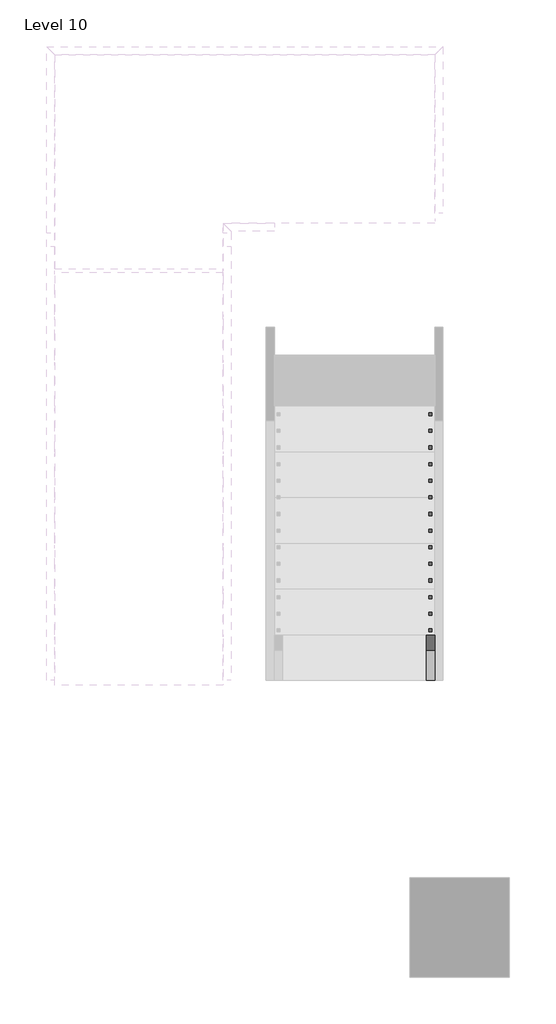
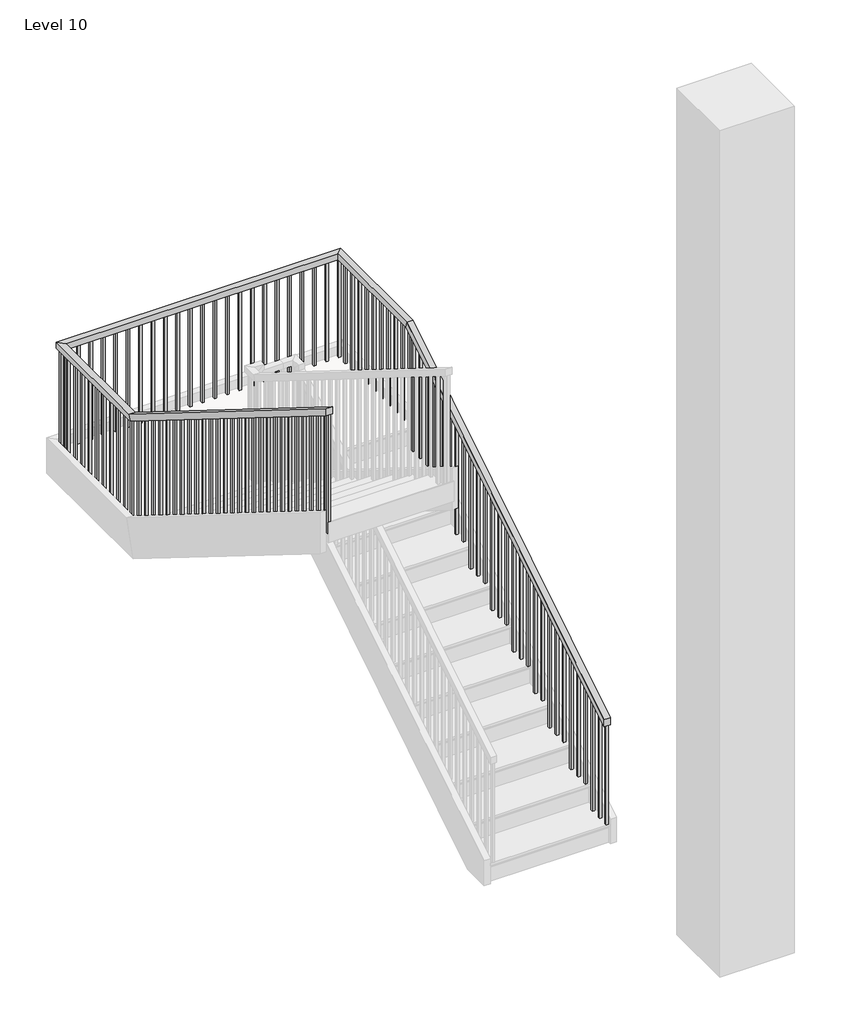
# One storey, part 13 of 16: 1 railing.
"""IFC4 building model written with IfcOpenShell, lengths in millimetres."""

from ifc_helpers import new_model, si_unit, frame, origin, place, context, project, spatial, polyline, outline, extrude, faceted_brep, element, save

model = new_model("IFC4")

# Units and contexts
model_context = context("Model", 3, world=origin())
ifc_project = project(units=[si_unit("LENGTHUNIT", "METRE", prefix="MILLI")], contexts=[model_context])

# Site, building, storey
site = spatial("IfcSite", under=ifc_project)
building = spatial("IfcBuilding", under=site)
storey = spatial("IfcBuildingStorey", under=building, Name="Level 10", Elevation=36118.8)

# Railing
placement = place(None, origin())
element("IfcRailing", 1, ObjectType="Handrail - Rectangular", at=placement, inside=storey, context=model_context, shape_type="SolidModel", body=[
    faceted_brep([(-18176.8930445, 2625.4460566, 37207.3714286), (-18176.8930445, 2625.4460566, 37147.5093152), (-18126.0930445, 2625.4460566, 37147.5093152), (-18126.0930445, 2625.4460566, 37207.3714286), (-18176.8930445, 5419.4460566, 38949.0857143), (-18176.8930445, 5433.9831967, 38898.2857143), (-18126.0930445, 5433.9831967, 38898.2857143), (-18126.0930445, 5419.4460566, 38949.0857143), (-18176.8930445, 6396.9720312, 38949.0857143), (-18176.8930445, 6396.9720312, 38898.2857143), (-18126.0930445, 6447.7720312, 38898.2857143), (-18126.0930445, 6447.7720312, 38949.0857143), (-20399.3930445, 6396.9720312, 38949.0857143), (-20399.3930445, 6396.9720312, 38898.2857143), (-20450.1930445, 6447.7720312, 38898.2857143), (-20450.1930445, 6447.7720312, 38949.0857143), (-20399.3930445, 5419.4460566, 38949.0857143), (-20399.3930445, 5404.9089165, 38898.2857143), (-20450.1930445, 5404.9089165, 38898.2857143), (-20450.1930445, 5419.4460566, 38949.0857143), (-20399.3930445, 2625.4460566, 40690.8), (-20450.1930445, 2625.4460566, 40690.8), (-20450.1930445, 2625.4460566, 40630.9378867), (-20399.3930445, 2625.4460566, 40630.9378867)], [[[0, 1, 2, 3]], [[1, 0, 4, 5]], [[2, 1, 5, 6]], [[3, 2, 6, 7]], [[0, 3, 7, 4]], [[5, 4, 8, 9]], [[6, 5, 9, 10]], [[7, 6, 10, 11]], [[4, 7, 11, 8]], [[9, 8, 12, 13]], [[10, 9, 13, 14]], [[11, 10, 14, 15]], [[8, 11, 15, 12]], [[13, 12, 16, 17]], [[14, 13, 17, 18]], [[15, 14, 18, 19]], [[12, 15, 19, 16]], [[20, 21, 22, 23]], [[17, 16, 20, 23]], [[18, 17, 23, 22]], [[19, 18, 22, 21]], [[16, 19, 21, 20]]]),
    extrude(outline(polyline([(2666.7210566, 40605.2080165), (2685.7710566, 40593.3326919), (2685.7710566, 39602.2285714), (2666.7210566, 39602.2285714), (2666.7210566, 40605.2080165)])), frame((-20434.3180445, 0.0, 0.0), z_axis=(1.0, 0.0, 0.0), x_axis=(0.0, 1.0, 0.0)), (0.0, 0.0, 1.0), 19.05),
    extrude(outline(polyline([(2768.3210566, 40541.8729516), (2787.3710566, 40529.9976269), (2787.3710566, 39602.2285714), (2768.3210566, 39602.2285714), (2768.3210566, 40541.8729516)])), frame((-20434.3180445, 0.0, 0.0), z_axis=(1.0, 0.0, 0.0), x_axis=(0.0, 1.0, 0.0)), (0.0, 0.0, 1.0), 19.05),
    extrude(outline(polyline([(2869.9210566, 40478.5378867), (2888.9710566, 40466.662562), (2888.9710566, 39602.2285714), (2869.9210566, 39602.2285714), (2869.9210566, 40478.5378867)])), frame((-20434.3180445, 0.0, 0.0), z_axis=(1.0, 0.0, 0.0), x_axis=(0.0, 1.0, 0.0)), (0.0, 0.0, 1.0), 19.05),
    extrude(outline(polyline([(2971.5210566, 40415.2028217), (2990.5710566, 40403.3274971), (2990.5710566, 39428.0571429), (2971.5210566, 39428.0571429), (2971.5210566, 40415.2028217)])), frame((-20434.3180445, 0.0, 0.0), z_axis=(1.0, 0.0, 0.0), x_axis=(0.0, 1.0, 0.0)), (0.0, 0.0, 1.0), 19.05),
    extrude(outline(polyline([(3073.1210566, 40351.8677568), (3092.1710566, 40339.9924321), (3092.1710566, 39428.0571429), (3073.1210566, 39428.0571429), (3073.1210566, 40351.8677568)])), frame((-20434.3180445, 0.0, 0.0), z_axis=(1.0, 0.0, 0.0), x_axis=(0.0, 1.0, 0.0)), (0.0, 0.0, 1.0), 19.05),
    extrude(outline(polyline([(3174.7210566, 40288.5326919), (3193.7710566, 40276.6573672), (3193.7710566, 39428.0571429), (3174.7210566, 39428.0571429), (3174.7210566, 40288.5326919)])), frame((-20434.3180445, 0.0, 0.0), z_axis=(1.0, 0.0, 0.0), x_axis=(0.0, 1.0, 0.0)), (0.0, 0.0, 1.0), 19.05),
    extrude(outline(polyline([(3276.3210566, 40225.1976269), (3295.3710566, 40213.3223023), (3295.3710566, 39253.8857143), (3276.3210566, 39253.8857143), (3276.3210566, 40225.1976269)])), frame((-20434.3180445, 0.0, 0.0), z_axis=(1.0, 0.0, 0.0), x_axis=(0.0, 1.0, 0.0)), (0.0, 0.0, 1.0), 19.05),
    extrude(outline(polyline([(3377.9210566, 40161.862562), (3396.9710566, 40149.9872373), (3396.9710566, 39253.8857143), (3377.9210566, 39253.8857143), (3377.9210566, 40161.862562)])), frame((-20434.3180445, 0.0, 0.0), z_axis=(1.0, 0.0, 0.0), x_axis=(0.0, 1.0, 0.0)), (0.0, 0.0, 1.0), 19.05),
    extrude(outline(polyline([(3479.5210566, 40098.5274971), (3498.5710566, 40086.6521724), (3498.5710566, 39079.7142857), (3479.5210566, 39079.7142857), (3479.5210566, 40098.5274971)])), frame((-20434.3180445, 0.0, 0.0), z_axis=(1.0, 0.0, 0.0), x_axis=(0.0, 1.0, 0.0)), (0.0, 0.0, 1.0), 19.05),
    extrude(outline(polyline([(3581.1210566, 40035.1924321), (3600.1710566, 40023.3171074), (3600.1710566, 39079.7142857), (3581.1210566, 39079.7142857), (3581.1210566, 40035.1924321)])), frame((-20434.3180445, 0.0, 0.0), z_axis=(1.0, 0.0, 0.0), x_axis=(0.0, 1.0, 0.0)), (0.0, 0.0, 1.0), 19.05),
    extrude(outline(polyline([(3682.7210566, 39971.8573672), (3701.7710566, 39959.9820425), (3701.7710566, 39079.7142857), (3682.7210566, 39079.7142857), (3682.7210566, 39971.8573672)])), frame((-20434.3180445, 0.0, 0.0), z_axis=(1.0, 0.0, 0.0), x_axis=(0.0, 1.0, 0.0)), (0.0, 0.0, 1.0), 19.05),
    extrude(outline(polyline([(3784.3210566, 39908.5223023), (3803.3710566, 39896.6469776), (3803.3710566, 38905.5428571), (3784.3210566, 38905.5428571), (3784.3210566, 39908.5223023)])), frame((-20434.3180445, 0.0, 0.0), z_axis=(1.0, 0.0, 0.0), x_axis=(0.0, 1.0, 0.0)), (0.0, 0.0, 1.0), 19.05),
    extrude(outline(polyline([(3885.9210566, 39845.1872373), (3904.9710566, 39833.3119126), (3904.9710566, 38905.5428571), (3885.9210566, 38905.5428571), (3885.9210566, 39845.1872373)])), frame((-20434.3180445, 0.0, 0.0), z_axis=(1.0, 0.0, 0.0), x_axis=(0.0, 1.0, 0.0)), (0.0, 0.0, 1.0), 19.05),
    extrude(outline(polyline([(3987.5210566, 39781.8521724), (4006.5710566, 39769.9768477), (4006.5710566, 38905.5428571), (3987.5210566, 38905.5428571), (3987.5210566, 39781.8521724)])), frame((-20434.3180445, 0.0, 0.0), z_axis=(1.0, 0.0, 0.0), x_axis=(0.0, 1.0, 0.0)), (0.0, 0.0, 1.0), 19.05),
    extrude(outline(polyline([(4089.1210566, 39718.5171074), (4108.1710566, 39706.6417828), (4108.1710566, 38731.3714286), (4089.1210566, 38731.3714286), (4089.1210566, 39718.5171074)])), frame((-20434.3180445, 0.0, 0.0), z_axis=(1.0, 0.0, 0.0), x_axis=(0.0, 1.0, 0.0)), (0.0, 0.0, 1.0), 19.05),
    extrude(outline(polyline([(4190.7210566, 39655.1820425), (4209.7710566, 39643.3067178), (4209.7710566, 38731.3714286), (4190.7210566, 38731.3714286), (4190.7210566, 39655.1820425)])), frame((-20434.3180445, 0.0, 0.0), z_axis=(1.0, 0.0, 0.0), x_axis=(0.0, 1.0, 0.0)), (0.0, 0.0, 1.0), 19.05),
    extrude(outline(polyline([(4292.3210566, 39591.8469776), (4311.3710566, 39579.9716529), (4311.3710566, 38731.3714286), (4292.3210566, 38731.3714286), (4292.3210566, 39591.8469776)])), frame((-20434.3180445, 0.0, 0.0), z_axis=(1.0, 0.0, 0.0), x_axis=(0.0, 1.0, 0.0)), (0.0, 0.0, 1.0), 19.05),
    extrude(outline(polyline([(4393.9210566, 39528.5119126), (4412.9710566, 39516.636588), (4412.9710566, 38557.2), (4393.9210566, 38557.2), (4393.9210566, 39528.5119126)])), frame((-20434.3180445, 0.0, 0.0), z_axis=(1.0, 0.0, 0.0), x_axis=(0.0, 1.0, 0.0)), (0.0, 0.0, 1.0), 19.05),
    extrude(outline(polyline([(4495.5210566, 39465.1768477), (4514.5710566, 39453.301523), (4514.5710566, 38557.2), (4495.5210566, 38557.2), (4495.5210566, 39465.1768477)])), frame((-20434.3180445, 0.0, 0.0), z_axis=(1.0, 0.0, 0.0), x_axis=(0.0, 1.0, 0.0)), (0.0, 0.0, 1.0), 19.05),
    extrude(outline(polyline([(4597.1210566, 39401.8417828), (4616.1710566, 39389.9664581), (4616.1710566, 38383.0285714), (4597.1210566, 38383.0285714), (4597.1210566, 39401.8417828)])), frame((-20434.3180445, 0.0, 0.0), z_axis=(1.0, 0.0, 0.0), x_axis=(0.0, 1.0, 0.0)), (0.0, 0.0, 1.0), 19.05),
    extrude(outline(polyline([(4698.7210566, 39338.5067178), (4717.7710566, 39326.6313932), (4717.7710566, 38383.0285714), (4698.7210566, 38383.0285714), (4698.7210566, 39338.5067178)])), frame((-20434.3180445, 0.0, 0.0), z_axis=(1.0, 0.0, 0.0), x_axis=(0.0, 1.0, 0.0)), (0.0, 0.0, 1.0), 19.05),
    extrude(outline(polyline([(4800.3210566, 39275.1716529), (4819.3710566, 39263.2963282), (4819.3710566, 38383.0285714), (4800.3210566, 38383.0285714), (4800.3210566, 39275.1716529)])), frame((-20434.3180445, 0.0, 0.0), z_axis=(1.0, 0.0, 0.0), x_axis=(0.0, 1.0, 0.0)), (0.0, 0.0, 1.0), 19.05),
    extrude(outline(polyline([(4901.9210566, 39211.836588), (4920.9710566, 39199.9612633), (4920.9710566, 38208.8571429), (4901.9210566, 38208.8571429), (4901.9210566, 39211.836588)])), frame((-20434.3180445, 0.0, 0.0), z_axis=(1.0, 0.0, 0.0), x_axis=(0.0, 1.0, 0.0)), (0.0, 0.0, 1.0), 19.05),
    extrude(outline(polyline([(5003.5210566, 39148.501523), (5022.5710566, 39136.6261984), (5022.5710566, 38208.8571429), (5003.5210566, 38208.8571429), (5003.5210566, 39148.501523)])), frame((-20434.3180445, 0.0, 0.0), z_axis=(1.0, 0.0, 0.0), x_axis=(0.0, 1.0, 0.0)), (0.0, 0.0, 1.0), 19.05),
    extrude(outline(polyline([(5105.1210566, 39085.1664581), (5124.1710566, 39073.2911334), (5124.1710566, 38208.8571429), (5105.1210566, 38208.8571429), (5105.1210566, 39085.1664581)])), frame((-20434.3180445, 0.0, 0.0), z_axis=(1.0, 0.0, 0.0), x_axis=(0.0, 1.0, 0.0)), (0.0, 0.0, 1.0), 19.05),
    extrude(outline(polyline([(5206.7210566, 39021.8313932), (5225.7710566, 39009.9560685), (5225.7710566, 38034.6857143), (5206.7210566, 38034.6857143), (5206.7210566, 39021.8313932)])), frame((-20434.3180445, 0.0, 0.0), z_axis=(1.0, 0.0, 0.0), x_axis=(0.0, 1.0, 0.0)), (0.0, 0.0, 1.0), 19.05),
    extrude(outline(polyline([(5308.3210566, 38958.4963282), (5327.3710566, 38946.6210036), (5327.3710566, 38034.6857143), (5308.3210566, 38034.6857143), (5308.3210566, 38958.4963282)])), frame((-20434.3180445, 0.0, 0.0), z_axis=(1.0, 0.0, 0.0), x_axis=(0.0, 1.0, 0.0)), (0.0, 0.0, 1.0), 19.05),
    extrude(outline(polyline([(-20434.3180445, 5517.4970312), (-20415.2680445, 5517.4970312), (-20415.2680445, 5498.4470312), (-20434.3180445, 5498.4470312), (-20434.3180445, 5517.4970312)])), frame((0.0, 0.0, 38034.6857143), z_axis=(0.0, 0.0, 1.0), x_axis=(1.0, 0.0, 0.0)), (0.0, 0.0, 1.0), 863.6),
    extrude(outline(polyline([(-20434.3180445, 5619.0970312), (-20415.2680445, 5619.0970312), (-20415.2680445, 5600.0470312), (-20434.3180445, 5600.0470312), (-20434.3180445, 5619.0970312)])), frame((0.0, 0.0, 38034.6857143), z_axis=(0.0, 0.0, 1.0), x_axis=(1.0, 0.0, 0.0)), (0.0, 0.0, 1.0), 863.6),
    extrude(outline(polyline([(-20434.3180445, 5720.6970312), (-20415.2680445, 5720.6970312), (-20415.2680445, 5701.6470312), (-20434.3180445, 5701.6470312), (-20434.3180445, 5720.6970312)])), frame((0.0, 0.0, 38034.6857143), z_axis=(0.0, 0.0, 1.0), x_axis=(1.0, 0.0, 0.0)), (0.0, 0.0, 1.0), 863.6),
    extrude(outline(polyline([(-20434.3180445, 5822.2970312), (-20415.2680445, 5822.2970312), (-20415.2680445, 5803.2470312), (-20434.3180445, 5803.2470312), (-20434.3180445, 5822.2970312)])), frame((0.0, 0.0, 38034.6857143), z_axis=(0.0, 0.0, 1.0), x_axis=(1.0, 0.0, 0.0)), (0.0, 0.0, 1.0), 863.6),
    extrude(outline(polyline([(-20434.3180445, 5923.8970312), (-20415.2680445, 5923.8970312), (-20415.2680445, 5904.8470312), (-20434.3180445, 5904.8470312), (-20434.3180445, 5923.8970312)])), frame((0.0, 0.0, 38034.6857143), z_axis=(0.0, 0.0, 1.0), x_axis=(1.0, 0.0, 0.0)), (0.0, 0.0, 1.0), 863.6),
    extrude(outline(polyline([(-20434.3180445, 6025.4970312), (-20415.2680445, 6025.4970312), (-20415.2680445, 6006.4470312), (-20434.3180445, 6006.4470312), (-20434.3180445, 6025.4970312)])), frame((0.0, 0.0, 38034.6857143), z_axis=(0.0, 0.0, 1.0), x_axis=(1.0, 0.0, 0.0)), (0.0, 0.0, 1.0), 863.6),
    extrude(outline(polyline([(-20434.3180445, 6127.0970312), (-20415.2680445, 6127.0970312), (-20415.2680445, 6108.0470312), (-20434.3180445, 6108.0470312), (-20434.3180445, 6127.0970312)])), frame((0.0, 0.0, 38034.6857143), z_axis=(0.0, 0.0, 1.0), x_axis=(1.0, 0.0, 0.0)), (0.0, 0.0, 1.0), 863.6),
    extrude(outline(polyline([(-20434.3180445, 6228.6970312), (-20415.2680445, 6228.6970312), (-20415.2680445, 6209.6470312), (-20434.3180445, 6209.6470312), (-20434.3180445, 6228.6970312)])), frame((0.0, 0.0, 38034.6857143), z_axis=(0.0, 0.0, 1.0), x_axis=(1.0, 0.0, 0.0)), (0.0, 0.0, 1.0), 863.6),
    extrude(outline(polyline([(-20434.3180445, 6330.2970312), (-20415.2680445, 6330.2970312), (-20415.2680445, 6311.2470312), (-20434.3180445, 6311.2470312), (-20434.3180445, 6330.2970312)])), frame((0.0, 0.0, 38034.6857143), z_axis=(0.0, 0.0, 1.0), x_axis=(1.0, 0.0, 0.0)), (0.0, 0.0, 1.0), 863.6),
    extrude(outline(polyline([(-20377.1680445, 6431.8970312), (-20377.1680445, 6412.8470312), (-20396.2180445, 6412.8470312), (-20396.2180445, 6431.8970312), (-20377.1680445, 6431.8970312)])), frame((0.0, 0.0, 38034.6857143), z_axis=(0.0, 0.0, 1.0), x_axis=(1.0, 0.0, 0.0)), (0.0, 0.0, 1.0), 863.6),
    extrude(outline(polyline([(-20275.5680445, 6431.8970312), (-20275.5680445, 6412.8470312), (-20294.6180445, 6412.8470312), (-20294.6180445, 6431.8970312), (-20275.5680445, 6431.8970312)])), frame((0.0, 0.0, 38034.6857143), z_axis=(0.0, 0.0, 1.0), x_axis=(1.0, 0.0, 0.0)), (0.0, 0.0, 1.0), 863.6),
    extrude(outline(polyline([(-20173.9680445, 6431.8970312), (-20173.9680445, 6412.8470312), (-20193.0180445, 6412.8470312), (-20193.0180445, 6431.8970312), (-20173.9680445, 6431.8970312)])), frame((0.0, 0.0, 38034.6857143), z_axis=(0.0, 0.0, 1.0), x_axis=(1.0, 0.0, 0.0)), (0.0, 0.0, 1.0), 863.6),
    extrude(outline(polyline([(-20072.3680445, 6431.8970312), (-20072.3680445, 6412.8470312), (-20091.4180445, 6412.8470312), (-20091.4180445, 6431.8970312), (-20072.3680445, 6431.8970312)])), frame((0.0, 0.0, 38034.6857143), z_axis=(0.0, 0.0, 1.0), x_axis=(1.0, 0.0, 0.0)), (0.0, 0.0, 1.0), 863.6),
    extrude(outline(polyline([(-19970.7680445, 6431.8970312), (-19970.7680445, 6412.8470312), (-19989.8180445, 6412.8470312), (-19989.8180445, 6431.8970312), (-19970.7680445, 6431.8970312)])), frame((0.0, 0.0, 38034.6857143), z_axis=(0.0, 0.0, 1.0), x_axis=(1.0, 0.0, 0.0)), (0.0, 0.0, 1.0), 863.6),
    extrude(outline(polyline([(-19869.1680445, 6431.8970312), (-19869.1680445, 6412.8470312), (-19888.2180445, 6412.8470312), (-19888.2180445, 6431.8970312), (-19869.1680445, 6431.8970312)])), frame((0.0, 0.0, 38034.6857143), z_axis=(0.0, 0.0, 1.0), x_axis=(1.0, 0.0, 0.0)), (0.0, 0.0, 1.0), 863.6),
    extrude(outline(polyline([(-19767.5680445, 6431.8970312), (-19767.5680445, 6412.8470312), (-19786.6180445, 6412.8470312), (-19786.6180445, 6431.8970312), (-19767.5680445, 6431.8970312)])), frame((0.0, 0.0, 38034.6857143), z_axis=(0.0, 0.0, 1.0), x_axis=(1.0, 0.0, 0.0)), (0.0, 0.0, 1.0), 863.6),
    extrude(outline(polyline([(-19665.9680445, 6431.8970312), (-19665.9680445, 6412.8470312), (-19685.0180445, 6412.8470312), (-19685.0180445, 6431.8970312), (-19665.9680445, 6431.8970312)])), frame((0.0, 0.0, 38034.6857143), z_axis=(0.0, 0.0, 1.0), x_axis=(1.0, 0.0, 0.0)), (0.0, 0.0, 1.0), 863.6),
    extrude(outline(polyline([(-19564.3680445, 6431.8970312), (-19564.3680445, 6412.8470312), (-19583.4180445, 6412.8470312), (-19583.4180445, 6431.8970312), (-19564.3680445, 6431.8970312)])), frame((0.0, 0.0, 38034.6857143), z_axis=(0.0, 0.0, 1.0), x_axis=(1.0, 0.0, 0.0)), (0.0, 0.0, 1.0), 863.6),
    extrude(outline(polyline([(-19462.7680445, 6431.8970312), (-19462.7680445, 6412.8470312), (-19481.8180445, 6412.8470312), (-19481.8180445, 6431.8970312), (-19462.7680445, 6431.8970312)])), frame((0.0, 0.0, 38034.6857143), z_axis=(0.0, 0.0, 1.0), x_axis=(1.0, 0.0, 0.0)), (0.0, 0.0, 1.0), 863.6),
    extrude(outline(polyline([(-19361.1680445, 6431.8970312), (-19361.1680445, 6412.8470312), (-19380.2180445, 6412.8470312), (-19380.2180445, 6431.8970312), (-19361.1680445, 6431.8970312)])), frame((0.0, 0.0, 38034.6857143), z_axis=(0.0, 0.0, 1.0), x_axis=(1.0, 0.0, 0.0)), (0.0, 0.0, 1.0), 863.6),
    extrude(outline(polyline([(-19259.5680445, 6431.8970312), (-19259.5680445, 6412.8470312), (-19278.6180445, 6412.8470312), (-19278.6180445, 6431.8970312), (-19259.5680445, 6431.8970312)])), frame((0.0, 0.0, 38034.6857143), z_axis=(0.0, 0.0, 1.0), x_axis=(1.0, 0.0, 0.0)), (0.0, 0.0, 1.0), 863.6),
    extrude(outline(polyline([(-19157.9680445, 6431.8970312), (-19157.9680445, 6412.8470312), (-19177.0180445, 6412.8470312), (-19177.0180445, 6431.8970312), (-19157.9680445, 6431.8970312)])), frame((0.0, 0.0, 38034.6857143), z_axis=(0.0, 0.0, 1.0), x_axis=(1.0, 0.0, 0.0)), (0.0, 0.0, 1.0), 863.6),
    extrude(outline(polyline([(-19056.3680445, 6431.8970312), (-19056.3680445, 6412.8470312), (-19075.4180445, 6412.8470312), (-19075.4180445, 6431.8970312), (-19056.3680445, 6431.8970312)])), frame((0.0, 0.0, 38034.6857143), z_axis=(0.0, 0.0, 1.0), x_axis=(1.0, 0.0, 0.0)), (0.0, 0.0, 1.0), 863.6),
    extrude(outline(polyline([(-18954.7680445, 6431.8970312), (-18954.7680445, 6412.8470312), (-18973.8180445, 6412.8470312), (-18973.8180445, 6431.8970312), (-18954.7680445, 6431.8970312)])), frame((0.0, 0.0, 38034.6857143), z_axis=(0.0, 0.0, 1.0), x_axis=(1.0, 0.0, 0.0)), (0.0, 0.0, 1.0), 863.6),
    extrude(outline(polyline([(-18853.1680445, 6431.8970312), (-18853.1680445, 6412.8470312), (-18872.2180445, 6412.8470312), (-18872.2180445, 6431.8970312), (-18853.1680445, 6431.8970312)])), frame((0.0, 0.0, 38034.6857143), z_axis=(0.0, 0.0, 1.0), x_axis=(1.0, 0.0, 0.0)), (0.0, 0.0, 1.0), 863.6),
    extrude(outline(polyline([(-18751.5680445, 6431.8970312), (-18751.5680445, 6412.8470312), (-18770.6180445, 6412.8470312), (-18770.6180445, 6431.8970312), (-18751.5680445, 6431.8970312)])), frame((0.0, 0.0, 38034.6857143), z_axis=(0.0, 0.0, 1.0), x_axis=(1.0, 0.0, 0.0)), (0.0, 0.0, 1.0), 863.6),
    extrude(outline(polyline([(-18649.9680445, 6431.8970312), (-18649.9680445, 6412.8470312), (-18669.0180445, 6412.8470312), (-18669.0180445, 6431.8970312), (-18649.9680445, 6431.8970312)])), frame((0.0, 0.0, 38034.6857143), z_axis=(0.0, 0.0, 1.0), x_axis=(1.0, 0.0, 0.0)), (0.0, 0.0, 1.0), 863.6),
    extrude(outline(polyline([(-18548.3680445, 6431.8970312), (-18548.3680445, 6412.8470312), (-18567.4180445, 6412.8470312), (-18567.4180445, 6431.8970312), (-18548.3680445, 6431.8970312)])), frame((0.0, 0.0, 38034.6857143), z_axis=(0.0, 0.0, 1.0), x_axis=(1.0, 0.0, 0.0)), (0.0, 0.0, 1.0), 863.6),
    extrude(outline(polyline([(-18446.7680445, 6431.8970312), (-18446.7680445, 6412.8470312), (-18465.8180445, 6412.8470312), (-18465.8180445, 6431.8970312), (-18446.7680445, 6431.8970312)])), frame((0.0, 0.0, 38034.6857143), z_axis=(0.0, 0.0, 1.0), x_axis=(1.0, 0.0, 0.0)), (0.0, 0.0, 1.0), 863.6),
    extrude(outline(polyline([(-18345.1680445, 6431.8970312), (-18345.1680445, 6412.8470312), (-18364.2180445, 6412.8470312), (-18364.2180445, 6431.8970312), (-18345.1680445, 6431.8970312)])), frame((0.0, 0.0, 38034.6857143), z_axis=(0.0, 0.0, 1.0), x_axis=(1.0, 0.0, 0.0)), (0.0, 0.0, 1.0), 863.6),
    extrude(outline(polyline([(-18243.5680445, 6431.8970312), (-18243.5680445, 6412.8470312), (-18262.6180445, 6412.8470312), (-18262.6180445, 6431.8970312), (-18243.5680445, 6431.8970312)])), frame((0.0, 0.0, 38034.6857143), z_axis=(0.0, 0.0, 1.0), x_axis=(1.0, 0.0, 0.0)), (0.0, 0.0, 1.0), 863.6),
    extrude(outline(polyline([(-18141.9680445, 6324.3210566), (-18161.0180445, 6324.3210566), (-18161.0180445, 6343.3710566), (-18141.9680445, 6343.3710566), (-18141.9680445, 6324.3210566)])), frame((0.0, 0.0, 38034.6857143), z_axis=(0.0, 0.0, 1.0), x_axis=(1.0, 0.0, 0.0)), (0.0, 0.0, 1.0), 863.6),
    extrude(outline(polyline([(-18141.9680445, 6222.7210566), (-18161.0180445, 6222.7210566), (-18161.0180445, 6241.7710566), (-18141.9680445, 6241.7710566), (-18141.9680445, 6222.7210566)])), frame((0.0, 0.0, 38034.6857143), z_axis=(0.0, 0.0, 1.0), x_axis=(1.0, 0.0, 0.0)), (0.0, 0.0, 1.0), 863.6),
    extrude(outline(polyline([(-18141.9680445, 6121.1210566), (-18161.0180445, 6121.1210566), (-18161.0180445, 6140.1710566), (-18141.9680445, 6140.1710566), (-18141.9680445, 6121.1210566)])), frame((0.0, 0.0, 38034.6857143), z_axis=(0.0, 0.0, 1.0), x_axis=(1.0, 0.0, 0.0)), (0.0, 0.0, 1.0), 863.6),
    extrude(outline(polyline([(-18141.9680445, 6019.5210566), (-18161.0180445, 6019.5210566), (-18161.0180445, 6038.5710566), (-18141.9680445, 6038.5710566), (-18141.9680445, 6019.5210566)])), frame((0.0, 0.0, 38034.6857143), z_axis=(0.0, 0.0, 1.0), x_axis=(1.0, 0.0, 0.0)), (0.0, 0.0, 1.0), 863.6),
    extrude(outline(polyline([(-18141.9680445, 5917.9210566), (-18161.0180445, 5917.9210566), (-18161.0180445, 5936.9710566), (-18141.9680445, 5936.9710566), (-18141.9680445, 5917.9210566)])), frame((0.0, 0.0, 38034.6857143), z_axis=(0.0, 0.0, 1.0), x_axis=(1.0, 0.0, 0.0)), (0.0, 0.0, 1.0), 863.6),
    extrude(outline(polyline([(-18141.9680445, 5816.3210566), (-18161.0180445, 5816.3210566), (-18161.0180445, 5835.3710566), (-18141.9680445, 5835.3710566), (-18141.9680445, 5816.3210566)])), frame((0.0, 0.0, 38034.6857143), z_axis=(0.0, 0.0, 1.0), x_axis=(1.0, 0.0, 0.0)), (0.0, 0.0, 1.0), 863.6),
    extrude(outline(polyline([(-18141.9680445, 5714.7210566), (-18161.0180445, 5714.7210566), (-18161.0180445, 5733.7710566), (-18141.9680445, 5733.7710566), (-18141.9680445, 5714.7210566)])), frame((0.0, 0.0, 38034.6857143), z_axis=(0.0, 0.0, 1.0), x_axis=(1.0, 0.0, 0.0)), (0.0, 0.0, 1.0), 863.6),
    extrude(outline(polyline([(-18141.9680445, 5613.1210566), (-18161.0180445, 5613.1210566), (-18161.0180445, 5632.1710566), (-18141.9680445, 5632.1710566), (-18141.9680445, 5613.1210566)])), frame((0.0, 0.0, 38034.6857143), z_axis=(0.0, 0.0, 1.0), x_axis=(1.0, 0.0, 0.0)), (0.0, 0.0, 1.0), 863.6),
    extrude(outline(polyline([(-18141.9680445, 5511.5210566), (-18161.0180445, 5511.5210566), (-18161.0180445, 5530.5710566), (-18141.9680445, 5530.5710566), (-18141.9680445, 5511.5210566)])), frame((0.0, 0.0, 38034.6857143), z_axis=(0.0, 0.0, 1.0), x_axis=(1.0, 0.0, 0.0)), (0.0, 0.0, 1.0), 863.6),
    extrude(outline(polyline([(5359.1210566, 38851.6184061), (5378.1710566, 38863.4937308), (5378.1710566, 37860.5142857), (5359.1210566, 37860.5142857), (5359.1210566, 38851.6184061)])), frame((-18161.0180445, 0.0, 0.0), z_axis=(1.0, 0.0, 0.0), x_axis=(0.0, 1.0, 0.0)), (0.0, 0.0, 1.0), 19.05),
    extrude(outline(polyline([(5257.5210566, 38788.2833412), (5276.5710566, 38800.1586659), (5276.5710566, 37860.5142857), (5257.5210566, 37860.5142857), (5257.5210566, 38788.2833412)])), frame((-18161.0180445, 0.0, 0.0), z_axis=(1.0, 0.0, 0.0), x_axis=(0.0, 1.0, 0.0)), (0.0, 0.0, 1.0), 19.05),
    extrude(outline(polyline([(5155.9210566, 38724.9482763), (5174.9710566, 38736.823601), (5174.9710566, 37860.5142857), (5155.9210566, 37860.5142857), (5155.9210566, 38724.9482763)])), frame((-18161.0180445, 0.0, 0.0), z_axis=(1.0, 0.0, 0.0), x_axis=(0.0, 1.0, 0.0)), (0.0, 0.0, 1.0), 19.05),
    extrude(outline(polyline([(5054.3210566, 38661.6132113), (5073.3710566, 38673.488536), (5073.3710566, 37686.3428571), (5054.3210566, 37686.3428571), (5054.3210566, 38661.6132113)])), frame((-18161.0180445, 0.0, 0.0), z_axis=(1.0, 0.0, 0.0), x_axis=(0.0, 1.0, 0.0)), (0.0, 0.0, 1.0), 19.05),
    extrude(outline(polyline([(4952.7210566, 38598.2781464), (4971.7710566, 38610.1534711), (4971.7710566, 37686.3428571), (4952.7210566, 37686.3428571), (4952.7210566, 38598.2781464)])), frame((-18161.0180445, 0.0, 0.0), z_axis=(1.0, 0.0, 0.0), x_axis=(0.0, 1.0, 0.0)), (0.0, 0.0, 1.0), 19.05),
    extrude(outline(polyline([(4851.1210566, 38534.9430815), (4870.1710566, 38546.8184061), (4870.1710566, 37686.3428571), (4851.1210566, 37686.3428571), (4851.1210566, 38534.9430815)])), frame((-18161.0180445, 0.0, 0.0), z_axis=(1.0, 0.0, 0.0), x_axis=(0.0, 1.0, 0.0)), (0.0, 0.0, 1.0), 19.05),
    extrude(outline(polyline([(4749.5210566, 38471.6080165), (4768.5710566, 38483.4833412), (4768.5710566, 37512.1714286), (4749.5210566, 37512.1714286), (4749.5210566, 38471.6080165)])), frame((-18161.0180445, 0.0, 0.0), z_axis=(1.0, 0.0, 0.0), x_axis=(0.0, 1.0, 0.0)), (0.0, 0.0, 1.0), 19.05),
    extrude(outline(polyline([(4647.9210566, 38408.2729516), (4666.9710566, 38420.1482763), (4666.9710566, 37512.1714286), (4647.9210566, 37512.1714286), (4647.9210566, 38408.2729516)])), frame((-18161.0180445, 0.0, 0.0), z_axis=(1.0, 0.0, 0.0), x_axis=(0.0, 1.0, 0.0)), (0.0, 0.0, 1.0), 19.05),
    extrude(outline(polyline([(4546.3210566, 38344.9378867), (4565.3710566, 38356.8132113), (4565.3710566, 37338.0), (4546.3210566, 37338.0), (4546.3210566, 38344.9378867)])), frame((-18161.0180445, 0.0, 0.0), z_axis=(1.0, 0.0, 0.0), x_axis=(0.0, 1.0, 0.0)), (0.0, 0.0, 1.0), 19.05),
    extrude(outline(polyline([(4444.7210566, 38281.6028217), (4463.7710566, 38293.4781464), (4463.7710566, 37338.0), (4444.7210566, 37338.0), (4444.7210566, 38281.6028217)])), frame((-18161.0180445, 0.0, 0.0), z_axis=(1.0, 0.0, 0.0), x_axis=(0.0, 1.0, 0.0)), (0.0, 0.0, 1.0), 19.05),
    extrude(outline(polyline([(4343.1210566, 38218.2677568), (4362.1710566, 38230.1430815), (4362.1710566, 37338.0), (4343.1210566, 37338.0), (4343.1210566, 38218.2677568)])), frame((-18161.0180445, 0.0, 0.0), z_axis=(1.0, 0.0, 0.0), x_axis=(0.0, 1.0, 0.0)), (0.0, 0.0, 1.0), 19.05),
    extrude(outline(polyline([(4241.5210566, 38154.9326919), (4260.5710566, 38166.8080165), (4260.5710566, 37163.8285714), (4241.5210566, 37163.8285714), (4241.5210566, 38154.9326919)])), frame((-18161.0180445, 0.0, 0.0), z_axis=(1.0, 0.0, 0.0), x_axis=(0.0, 1.0, 0.0)), (0.0, 0.0, 1.0), 19.05),
    extrude(outline(polyline([(4139.9210566, 38091.5976269), (4158.9710566, 38103.4729516), (4158.9710566, 37163.8285714), (4139.9210566, 37163.8285714), (4139.9210566, 38091.5976269)])), frame((-18161.0180445, 0.0, 0.0), z_axis=(1.0, 0.0, 0.0), x_axis=(0.0, 1.0, 0.0)), (0.0, 0.0, 1.0), 19.05),
    extrude(outline(polyline([(4038.3210566, 38028.262562), (4057.3710566, 38040.1378867), (4057.3710566, 37163.8285714), (4038.3210566, 37163.8285714), (4038.3210566, 38028.262562)])), frame((-18161.0180445, 0.0, 0.0), z_axis=(1.0, 0.0, 0.0), x_axis=(0.0, 1.0, 0.0)), (0.0, 0.0, 1.0), 19.05),
    extrude(outline(polyline([(3936.7210566, 37964.9274971), (3955.7710566, 37976.8028217), (3955.7710566, 36989.6571429), (3936.7210566, 36989.6571429), (3936.7210566, 37964.9274971)])), frame((-18161.0180445, 0.0, 0.0), z_axis=(1.0, 0.0, 0.0), x_axis=(0.0, 1.0, 0.0)), (0.0, 0.0, 1.0), 19.05),
    extrude(outline(polyline([(3835.1210566, 37901.5924321), (3854.1710566, 37913.4677568), (3854.1710566, 36989.6571429), (3835.1210566, 36989.6571429), (3835.1210566, 37901.5924321)])), frame((-18161.0180445, 0.0, 0.0), z_axis=(1.0, 0.0, 0.0), x_axis=(0.0, 1.0, 0.0)), (0.0, 0.0, 1.0), 19.05),
    extrude(outline(polyline([(3733.5210566, 37838.2573672), (3752.5710566, 37850.1326919), (3752.5710566, 36989.6571429), (3733.5210566, 36989.6571429), (3733.5210566, 37838.2573672)])), frame((-18161.0180445, 0.0, 0.0), z_axis=(1.0, 0.0, 0.0), x_axis=(0.0, 1.0, 0.0)), (0.0, 0.0, 1.0), 19.05),
    extrude(outline(polyline([(3631.9210566, 37774.9223023), (3650.9710566, 37786.7976269), (3650.9710566, 36815.4857143), (3631.9210566, 36815.4857143), (3631.9210566, 37774.9223023)])), frame((-18161.0180445, 0.0, 0.0), z_axis=(1.0, 0.0, 0.0), x_axis=(0.0, 1.0, 0.0)), (0.0, 0.0, 1.0), 19.05),
    extrude(outline(polyline([(3530.3210566, 37711.5872373), (3549.3710566, 37723.462562), (3549.3710566, 36815.4857143), (3530.3210566, 36815.4857143), (3530.3210566, 37711.5872373)])), frame((-18161.0180445, 0.0, 0.0), z_axis=(1.0, 0.0, 0.0), x_axis=(0.0, 1.0, 0.0)), (0.0, 0.0, 1.0), 19.05),
    extrude(outline(polyline([(3428.7210566, 37648.2521724), (3447.7710566, 37660.1274971), (3447.7710566, 36641.3142857), (3428.7210566, 36641.3142857), (3428.7210566, 37648.2521724)])), frame((-18161.0180445, 0.0, 0.0), z_axis=(1.0, 0.0, 0.0), x_axis=(0.0, 1.0, 0.0)), (0.0, 0.0, 1.0), 19.05),
    extrude(outline(polyline([(3327.1210566, 37584.9171074), (3346.1710566, 37596.7924321), (3346.1710566, 36641.3142857), (3327.1210566, 36641.3142857), (3327.1210566, 37584.9171074)])), frame((-18161.0180445, 0.0, 0.0), z_axis=(1.0, 0.0, 0.0), x_axis=(0.0, 1.0, 0.0)), (0.0, 0.0, 1.0), 19.05),
    extrude(outline(polyline([(3225.5210566, 37521.5820425), (3244.5710566, 37533.4573672), (3244.5710566, 36641.3142857), (3225.5210566, 36641.3142857), (3225.5210566, 37521.5820425)])), frame((-18161.0180445, 0.0, 0.0), z_axis=(1.0, 0.0, 0.0), x_axis=(0.0, 1.0, 0.0)), (0.0, 0.0, 1.0), 19.05),
    extrude(outline(polyline([(3123.9210566, 37458.2469776), (3142.9710566, 37470.1223023), (3142.9710566, 36467.1428571), (3123.9210566, 36467.1428571), (3123.9210566, 37458.2469776)])), frame((-18161.0180445, 0.0, 0.0), z_axis=(1.0, 0.0, 0.0), x_axis=(0.0, 1.0, 0.0)), (0.0, 0.0, 1.0), 19.05),
    extrude(outline(polyline([(3022.3210566, 37394.9119126), (3041.3710566, 37406.7872373), (3041.3710566, 36467.1428571), (3022.3210566, 36467.1428571), (3022.3210566, 37394.9119126)])), frame((-18161.0180445, 0.0, 0.0), z_axis=(1.0, 0.0, 0.0), x_axis=(0.0, 1.0, 0.0)), (0.0, 0.0, 1.0), 19.05),
    extrude(outline(polyline([(2920.7210566, 37331.5768477), (2939.7710566, 37343.4521724), (2939.7710566, 36467.1428571), (2920.7210566, 36467.1428571), (2920.7210566, 37331.5768477)])), frame((-18161.0180445, 0.0, 0.0), z_axis=(1.0, 0.0, 0.0), x_axis=(0.0, 1.0, 0.0)), (0.0, 0.0, 1.0), 19.05),
    extrude(outline(polyline([(2819.1210566, 37268.2417828), (2838.1710566, 37280.1171074), (2838.1710566, 36292.9714286), (2819.1210566, 36292.9714286), (2819.1210566, 37268.2417828)])), frame((-18161.0180445, 0.0, 0.0), z_axis=(1.0, 0.0, 0.0), x_axis=(0.0, 1.0, 0.0)), (0.0, 0.0, 1.0), 19.05),
    extrude(outline(polyline([(2717.5210566, 37204.9067178), (2736.5710566, 37216.7820425), (2736.5710566, 36292.9714286), (2717.5210566, 36292.9714286), (2717.5210566, 37204.9067178)])), frame((-18161.0180445, 0.0, 0.0), z_axis=(1.0, 0.0, 0.0), x_axis=(0.0, 1.0, 0.0)), (0.0, 0.0, 1.0), 19.05),
    extrude(outline(polyline([(-20434.3180445, 5428.9710566), (-20415.2680445, 5428.9710566), (-20415.2680445, 5409.9210566), (-20434.3180445, 5409.9210566), (-20434.3180445, 5428.9710566)])), frame((0.0, 0.0, 38034.6857143), z_axis=(0.0, 0.0, 1.0), x_axis=(1.0, 0.0, 0.0)), (0.0, 0.0, 1.0), 863.6),
    extrude(outline(polyline([(-20415.2680445, 6431.8970312), (-20415.2680445, 6412.8470312), (-20434.3180445, 6412.8470312), (-20434.3180445, 6431.8970312), (-20415.2680445, 6431.8970312)])), frame((0.0, 0.0, 38034.6857143), z_axis=(0.0, 0.0, 1.0), x_axis=(1.0, 0.0, 0.0)), (0.0, 0.0, 1.0), 863.6),
    extrude(outline(polyline([(-18141.9680445, 6412.8470312), (-18161.0180445, 6412.8470312), (-18161.0180445, 6431.8970312), (-18141.9680445, 6431.8970312), (-18141.9680445, 6412.8470312)])), frame((0.0, 0.0, 38034.6857143), z_axis=(0.0, 0.0, 1.0), x_axis=(1.0, 0.0, 0.0)), (0.0, 0.0, 1.0), 863.6),
    extrude(outline(polyline([(5409.9210566, 38883.2859386), (5428.9710566, 38895.1612633), (5428.9710566, 38034.6857143), (5409.9210566, 38034.6857143), (5409.9210566, 38883.2859386)])), frame((-18161.0180445, 0.0, 0.0), z_axis=(1.0, 0.0, 0.0), x_axis=(0.0, 1.0, 0.0)), (0.0, 0.0, 1.0), 19.05),
    extrude(outline(polyline([(2625.4460566, 40630.9378867), (2644.4960566, 40619.062562), (2644.4960566, 39602.2285714), (2625.4460566, 39602.2285714), (2625.4460566, 40630.9378867)])), frame((-20434.3180445, 0.0, 0.0), z_axis=(1.0, 0.0, 0.0), x_axis=(0.0, 1.0, 0.0)), (0.0, 0.0, 1.0), 19.05),
    extrude(outline(polyline([(2625.4460566, 37147.5093152), (2644.4960566, 37159.3846399), (2644.4960566, 36292.9714286), (2625.4460566, 36292.9714286), (2625.4460566, 37147.5093152)])), frame((-18161.0180445, 0.0, 0.0), z_axis=(1.0, 0.0, 0.0), x_axis=(0.0, 1.0, 0.0)), (0.0, 0.0, 1.0), 19.05),
])

save(model, "model.ifc")
